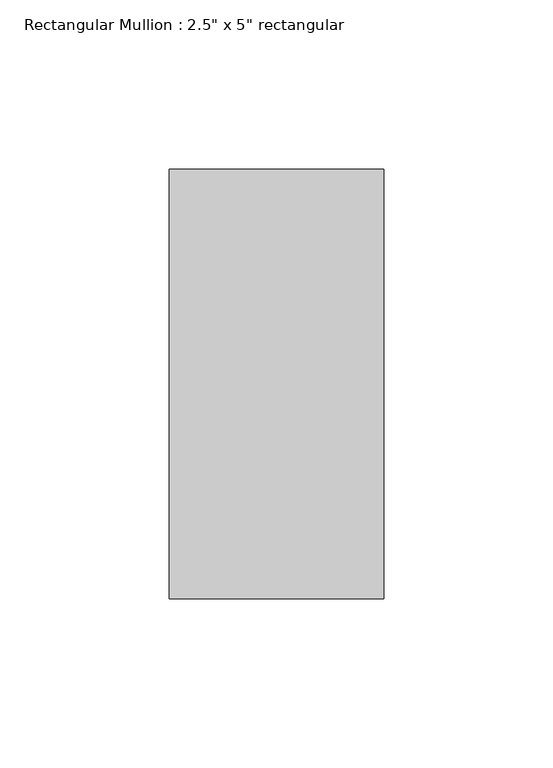
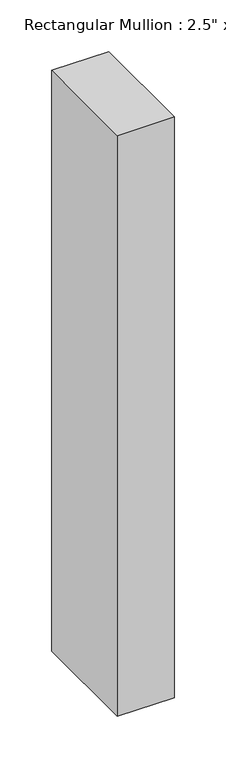
"""IFC4 building model written with IfcOpenShell, lengths in millimetres: member geometry."""

from ifc_helpers import new_model, si_unit, frame, origin, place, context, project, spatial, polyline, outline, extrude, source, transform, mapped, element, save


def member_7999998f(model_context):
    return source(origin(), model_context, "Body", "SweptSolid", [
        extrude(outline(polyline([(31.75, 63.5), (31.75, -63.5), (-31.75, -63.5), (-31.75, 63.5), (31.75, 63.5)])), frame((0.0, 0.0, -685.8), z_axis=(0.0, 0.0, 1.0), x_axis=(1.0, 0.0, 0.0)), (0.0, 0.0, 1.0), 685.8),
    ])


if __name__ == "__main__":
    model = new_model("IFC4")
    model_context = context("Model", 3, world=origin())
    ifc_project = project(units=[si_unit("LENGTHUNIT", "METRE", prefix="MILLI")], contexts=[model_context])
    site = spatial("IfcSite", under=ifc_project)
    building = spatial("IfcBuilding", under=site)
    placement = place(None, origin())
    member_shape = member_7999998f(model_context)
    element("IfcMember", 1, ObjectType="Rectangular Mullion : 2.5\" x 5\" rectangular", at=placement, inside=building, context=model_context, shape_type="MappedRepresentation", body=[
        mapped(member_shape, transform((0.0, 0.0, 0.0), x_axis=(1.0, 0.0, 0.0), y_axis=(0.0, 1.0, 0.0), z_axis=(0.0, 0.0, 1.0))),
    ])
    save(model, "model.ifc")
